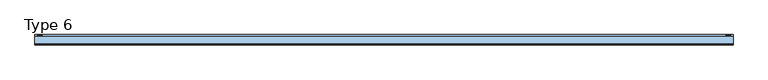
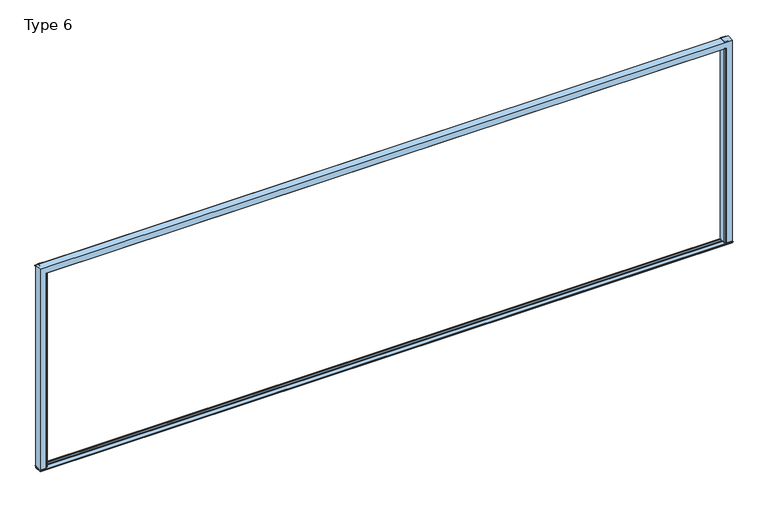
"""IFC4 building model written with IfcOpenShell, lengths in millimetres: window geometry, Type 6."""

from ifc_helpers import new_model, si_unit, point, frame, frame_2d, origin, origin_with_axes, place, context, project, spatial, polyline, circle_curve, ellipse_curve, trimmed, segment, composite_curve, outline, extrude, source, transform, mapped, element, save
from ifc_brep_helpers import plane_surface, cylinder_surface, advanced_brep


def type_6_03dc4e8a(model_context):
    return source(origin(), model_context, "Body", "SolidModel", [
        advanced_brep(
        [(3890.0, -70.0, 0.0), (3819.5, -70.0, 0.0), (3817.0, -67.5, 0.0), (3817.0, -60.0000153, 0.0), (3859.5, -60.0000153, 0.0), (3859.5, -31.8999908, 0.0), (3854.3999924, -31.8999908, 0.0), (3854.3999924, -22.3000153, 0.0), (3865.9997864, -22.3000153, 0.0), (3865.9997864, 0.1999847, 0.0), (3854.3999924, 0.1999847, 0.0), (3854.3999924, 9.9999847, 0.0), (3890.0, 9.9999847, 0.0), (3890.0, -70.0, 2390.0), (-3890.0, -70.0, 2390.0), (-3890.0, -70.0, 0.0), (-3819.5, -70.0, 0.0), (-3819.5, -70.0, 2319.5), (3819.5, -70.0, 2319.5), (3817.0, -67.5, 2317.0), (3817.0, -60.0000153, 2317.0), (-3817.0, -60.0000153, 2317.0), (-3817.0, -60.0000153, 0.0), (-3859.5, -60.0000153, 0.0), (-3859.5, -60.0000153, 2359.5), (3859.5, -60.0000153, 2359.5), (3859.5, -31.8999908, 2359.5), (-3859.5, -31.8999908, 2359.5), (-3859.5, -31.8999908, 0.0), (-3854.3999924, -31.8999908, 0.0), (-3854.3999924, -31.8999908, 2354.3999924), (3854.3999924, -31.8999908, 2354.3999924), (3854.3999924, -22.3000153, 2354.3999924), (-3854.3999924, -22.3000153, 2354.3999924), (-3854.3999924, -22.3000153, 0.0), (-3865.9997864, -22.3000153, 0.0), (-3865.9997864, -22.3000153, 2365.9997864), (3865.9997864, -22.3000153, 2365.9997864), (3865.9997864, 0.1999847, 2365.9997864), (-3865.9997864, 0.1999847, 2365.9997864), (-3865.9997864, 0.1999847, 0.0), (-3854.3999924, 0.1999847, 0.0), (-3854.3999924, 0.1999847, 2354.3999924), (3854.3999924, 0.1999847, 2354.3999924), (3854.3999924, 9.9999847, 2354.3999924), (-3854.3999924, 9.9999847, 2354.3999924), (-3854.3999924, 9.9999847, 0.0), (-3890.0, 9.9999847, 0.0), (-3890.0, 9.9999847, 2390.0), (3890.0, 9.9999847, 2390.0), (-3817.0, -67.5, 0.0), (-3817.0, -67.5, 2317.0)],
        [
            (0, 1),
            (1, 2, circle_curve(frame((3819.5, -67.5, 0.0), z_axis=(0.0, 0.0, -1.0), x_axis=(0.0, -1.0, 0.0)), 2.5)),
            (2, 3),
            (3, 4),
            (4, 5),
            (5, 6),
            (6, 7),
            (7, 8),
            (8, 9),
            (9, 10),
            (10, 11),
            (11, 12),
            (12, 0),
            (0, 13),
            (13, 14),
            (14, 15),
            (15, 16),
            (16, 17),
            (17, 18),
            (18, 1),
            (18, 19, ellipse_curve(frame((3819.5, -67.5, 2319.5), z_axis=(0.7071067811865445, 0.0, -0.7071067811865505), x_axis=(-0.7071067811865502, 0.0, -0.7071067811865447)), 3.5355339, 2.5)),
            (19, 2),
            (19, 20),
            (20, 3),
            (20, 21),
            (21, 22),
            (22, 23),
            (23, 24),
            (24, 25),
            (25, 4),
            (25, 26),
            (26, 5),
            (26, 27),
            (27, 28),
            (28, 29),
            (29, 30),
            (30, 31),
            (31, 6),
            (31, 32),
            (32, 7),
            (32, 33),
            (33, 34),
            (34, 35),
            (35, 36),
            (36, 37),
            (37, 8),
            (37, 38),
            (38, 9),
            (38, 39),
            (39, 40),
            (40, 41),
            (41, 42),
            (42, 43),
            (43, 10),
            (43, 44),
            (44, 11),
            (44, 45),
            (45, 46),
            (46, 47),
            (47, 48),
            (48, 49),
            (49, 12),
            (49, 13),
            (15, 47),
            (46, 41),
            (40, 35),
            (34, 29),
            (28, 23),
            (22, 50),
            (50, 16, circle_curve(frame((-3819.5, -67.5, 0.0), z_axis=(0.0, 0.0, -1.0), x_axis=(0.0, -1.0, 0.0)), 2.5)),
            (14, 48),
            (45, 42),
            (39, 36),
            (33, 30),
            (27, 24),
            (21, 51),
            (51, 50),
            (51, 17, ellipse_curve(frame((-3819.5, -67.5, 2319.5), z_axis=(-0.7071067811865506, 0.0, -0.7071067811865445), x_axis=(-0.7071067811865445, 0.0, 0.7071067811865506)), 3.5355339, 2.5)),
            (51, 19),
        ],
        [
            plane_surface(frame((3890.0, -70.0, 0.0), z_axis=(0.0, 0.0, -1.0), x_axis=(0.0, -1.0, 0.0))),
            plane_surface(frame((3890.0, -70.0, 0.0), z_axis=(0.0, -1.0, 0.0), x_axis=(0.0, 0.0, 1.0))),
            cylinder_surface(frame((3819.5, -67.5, 0.0), z_axis=(0.0, 0.0, -1.0), x_axis=(0.0, -1.0, 0.0)), 2.5),
            plane_surface(frame((3817.0, -67.5, 0.0), z_axis=(-1.0, 0.0, 0.0), x_axis=(0.0, 0.0, 1.0))),
            plane_surface(frame((3817.0, -60.0000153, 0.0), z_axis=(0.0, 1.0, 0.0), x_axis=(0.0, 0.0, 1.0))),
            plane_surface(frame((3859.5, -60.0000153, 0.0), z_axis=(-1.0, 0.0, 0.0), x_axis=(0.0, 0.0, 1.0))),
            plane_surface(frame((3859.5, -31.8999908, 0.0), z_axis=(0.0, -1.0, 0.0), x_axis=(0.0, 0.0, 1.0))),
            plane_surface(frame((3854.3999924, -31.8999908, 0.0), z_axis=(-1.0, 0.0, 0.0), x_axis=(0.0, 0.0, 1.0))),
            plane_surface(frame((3854.3999924, -22.3000153, 0.0), z_axis=(0.0, 1.0, 0.0), x_axis=(0.0, 0.0, 1.0))),
            plane_surface(frame((3865.9997864, -22.3000153, 0.0), z_axis=(-1.0, 0.0, 0.0), x_axis=(0.0, 0.0, 1.0))),
            plane_surface(frame((3865.9997864, 0.1999847, 0.0), z_axis=(0.0, -1.0, 0.0), x_axis=(0.0, 0.0, 1.0))),
            plane_surface(frame((3854.3999924, 0.1999847, 0.0), z_axis=(-1.0, 0.0, 0.0), x_axis=(0.0, 0.0, 1.0))),
            plane_surface(frame((3854.3999924, 9.9999847, 0.0), z_axis=(0.0, 1.0, 0.0), x_axis=(0.0, 0.0, 1.0))),
            plane_surface(frame((3890.0, 9.9999847, 0.0), z_axis=(1.0, 0.0, 0.0), x_axis=(0.0, 0.0, 1.0))),
            plane_surface(frame((-3890.0, -70.0, 0.0), z_axis=(0.0, 0.0, -1.0), x_axis=(0.0, -1.0, 0.0))),
            plane_surface(frame((-3890.0, 9.9999847, 2390.0), z_axis=(-1.0, 0.0, 0.0), x_axis=(0.0, 0.0, -1.0))),
            plane_surface(frame((-3854.3999924, 0.1999847, 2354.3999924), z_axis=(1.0, 0.0, 0.0), x_axis=(0.0, 0.0, -1.0))),
            plane_surface(frame((-3865.9997864, -22.3000153, 2365.9997864), z_axis=(1.0, 0.0, 0.0), x_axis=(0.0, 0.0, -1.0))),
            plane_surface(frame((-3854.3999924, -31.8999908, 2354.3999924), z_axis=(1.0, 0.0, 0.0), x_axis=(0.0, 0.0, -1.0))),
            plane_surface(frame((-3859.5, -60.0000153, 2359.5), z_axis=(1.0, 0.0, 0.0), x_axis=(0.0, 0.0, -1.0))),
            plane_surface(frame((-3817.0, -67.5, 2317.0), z_axis=(1.0, 0.0, 0.0), x_axis=(0.0, 0.0, -1.0))),
            cylinder_surface(frame((-3819.5, -67.5, 2390.0), z_axis=(0.0, 0.0, 1.0), x_axis=(0.0, -1.0, 0.0)), 2.5),
            plane_surface(frame((3890.0, 9.9999847, 2390.0), z_axis=(0.0, 0.0, 1.0), x_axis=(-1.0, 0.0, 0.0))),
            cylinder_surface(frame((3890.0, -67.5, 2319.5), z_axis=(1.0, 0.0, 0.0), x_axis=(0.0, -1.0, 0.0)), 2.5),
            plane_surface(frame((3817.0, -67.5, 2317.0), z_axis=(0.0, 0.0, -1.0), x_axis=(-1.0, 0.0, 0.0))),
            plane_surface(frame((3859.5, -60.0000153, 2359.5), z_axis=(0.0, 0.0, -1.0), x_axis=(-1.0, 0.0, 0.0))),
            plane_surface(frame((3854.3999924, -31.8999908, 2354.3999924), z_axis=(0.0, 0.0, -1.0), x_axis=(-1.0, 0.0, 0.0))),
            plane_surface(frame((3865.9997864, -22.3000153, 2365.9997864), z_axis=(0.0, 0.0, -1.0), x_axis=(-1.0, 0.0, 0.0))),
            plane_surface(frame((3854.3999924, 0.1999847, 2354.3999924), z_axis=(0.0, 0.0, -1.0), x_axis=(-1.0, 0.0, 0.0))),
        ],
        [
            (0, [[1, 2, 3, 4, 5, 6, 7, 8, 9, 10, 11, 12, 13]]),
            (1, [[-1, 14, 15, 16, 17, 18, 19, 20]]),
            (2, [[-2, -20, 21, 22]]),
            (3, [[-3, -22, 23, 24]]),
            (4, [[-4, -24, 25, 26, 27, 28, 29, 30]]),
            (5, [[-5, -30, 31, 32]]),
            (6, [[-6, -32, 33, 34, 35, 36, 37, 38]]),
            (7, [[-7, -38, 39, 40]]),
            (8, [[-8, -40, 41, 42, 43, 44, 45, 46]]),
            (9, [[-9, -46, 47, 48]]),
            (10, [[-10, -48, 49, 50, 51, 52, 53, 54]]),
            (11, [[-11, -54, 55, 56]]),
            (12, [[-12, -56, 57, 58, 59, 60, 61, 62]]),
            (13, [[-13, -62, 63, -14]]),
            (14, [[64, -59, 65, -51, 66, -43, 67, -35, 68, -27, 69, 70, -17]]),
            (15, [[71, -60, -64, -16]]),
            (16, [[72, -52, -65, -58]]),
            (17, [[73, -44, -66, -50]]),
            (18, [[74, -36, -67, -42]]),
            (19, [[75, -28, -68, -34]]),
            (20, [[76, 77, -69, -26]]),
            (21, [[78, -18, -70, -77]]),
            (22, [[-63, -61, -71, -15]]),
            (23, [[-21, -19, -78, 79]]),
            (24, [[-23, -79, -76, -25]]),
            (25, [[-31, -29, -75, -33]]),
            (26, [[-39, -37, -74, -41]]),
            (27, [[-47, -45, -73, -49]]),
            (28, [[-55, -53, -72, -57]]),
        ],
    ),
        extrude(outline(composite_curve([segment(trimmed(circle_curve(frame_2d((-3862.5, 17.4999847)), 2.5), [point((-3865.0, 17.4999847))], [point((-3862.5, 19.9999847))], False, "CARTESIAN"), True, "CONTINUOUS"), segment(polyline([(-3862.5, 19.9999847), (-3805.9999505, 19.9999847), (-3805.9999505, -60.0000153), (-3865.9997864, -60.0000153), (-3865.9997864, 9.9999847), (-3865.0, 9.9999847), (-3865.0, 17.4999847)]), True, "CONTINUOUS")], self_intersect=False)), origin_with_axes(), (0.0, 0.0, 1.0), 2390.0),
        extrude(outline(composite_curve([segment(polyline([(3865.0, 17.5), (3865.0, 10.0), (3865.9997864, 10.0), (3865.9997864, -60.0), (3806.0, -60.0), (3806.0, 20.0), (3862.5, 20.0)]), True, "CONTINUOUS"), segment(trimmed(circle_curve(frame_2d((3862.5, 17.5)), 2.5), [point((3862.5, 20.0))], [point((3865.0, 17.5))], False, "CARTESIAN"), True, "CONTINUOUS")], self_intersect=False)), origin_with_axes(), (0.0, 0.0, 1.0), 2390.0),
        extrude(outline(polyline([(30.2279949, 2375.5006958), (30.2279949, 2371.1777082), (9.9999847, 2371.1777082), (9.9999847, 2383.6755792), (30.2279949, 2375.5006958)])), frame((-3890.0, 0.0, 0.0), z_axis=(1.0, 0.0, 0.0), x_axis=(0.0, 1.0, 0.0)), (0.0, 0.0, 1.0), 7780.0),
        extrude(outline(polyline([(-22.3000481, 7.0999832), (-22.3000481, -9.9), (0.1999756, -9.9), (0.1999756, 7.0999832), (7.600061, 7.0999832), (7.600061, 3.5), (20.7378222, 3.5), (25.0, 1.0392305), (25.0, 0.0), (10.0, 0.0), (10.0, -18.0), (-70.0, -18.0), (-70.0, 0.0), (-85.0, 0.0), (-85.0, 1.0392305), (-80.7378222, 3.5), (-29.7001335, 3.5), (-29.7001335, 7.0999832), (-22.3000481, 7.0999832)])), frame((-3890.0, 0.0, 0.0), z_axis=(1.0, 0.0, 0.0), x_axis=(0.0, 1.0, 0.0)), (0.0, 0.0, 1.0), 7780.0),
    ])


if __name__ == "__main__":
    model = new_model("IFC4")
    model_context = context("Model", 3, world=origin())
    ifc_project = project(units=[si_unit("LENGTHUNIT", "METRE", prefix="MILLI")], contexts=[model_context])
    site = spatial("IfcSite", under=ifc_project)
    building = spatial("IfcBuilding", under=site)
    placement = place(None, origin())
    type_6_shape = type_6_03dc4e8a(model_context)
    element("IfcWindow", 1, ObjectType="Type 6", at=placement, inside=building, context=model_context, shape_type="MappedRepresentation", body=[
        mapped(type_6_shape, transform((0.0, 0.0, 0.0), x_axis=(1.0, 0.0, 0.0), y_axis=(0.0, 1.0, 0.0), z_axis=(0.0, 0.0, 1.0))),
    ])
    save(model, "model.ifc")
